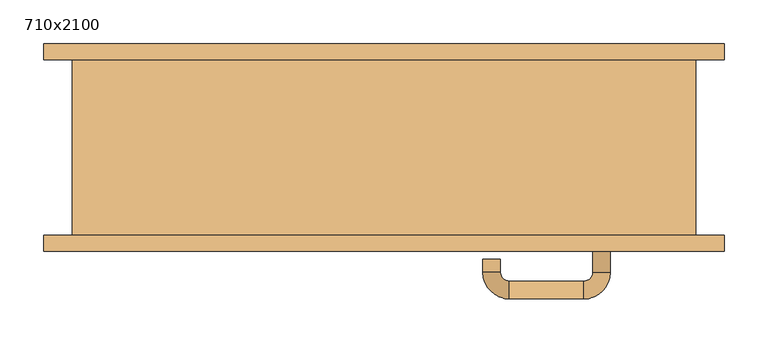
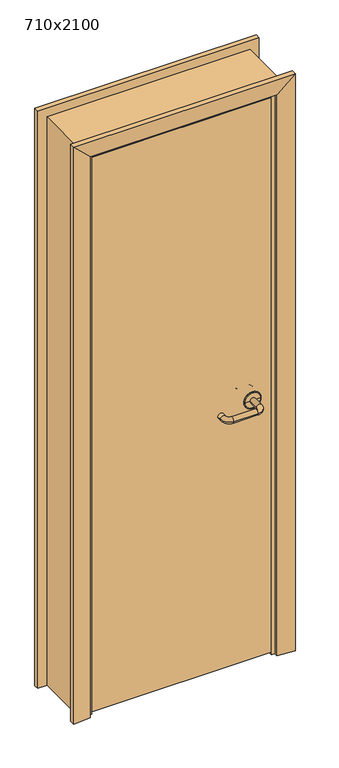
"""IFC4 building model written with IfcOpenShell, lengths in millimetres: door geometry, 710x2100."""

from ifc_helpers import new_model, si_unit, point, frame, origin, place, context, project, spatial, polyline, circle_curve, ellipse_curve, trimmed, outline, extrude, faceted_brep, source, transform, mapped, element, save
from ifc_brep_helpers import plane_surface, cylinder_surface, revolved_surface, advanced_brep


def door_710x2100_5c90960f(model_context):
    return source(origin(), model_context, "Body", "SolidModel", [
        advanced_brep(
        [(257.5389275, -100.0, 965.0), (237.5389275, -100.0, 965.0), (257.5389275, -141.7730895, 965.0), (237.5389275, -141.7730895, 965.0), (227.5389275, -171.7730895, 965.0), (227.5389275, -151.7730895, 965.0), (142.5389265, -171.7730895, 965.0), (142.5389265, -151.7730895, 965.0), (112.5389265, -141.7730895, 965.0), (132.5389265, -141.7730895, 965.0), (112.5389265, -126.7730887, 965.0), (132.5389265, -126.7730887, 965.0)],
        [
            (0, 1, circle_curve(frame((247.5389275, -100.0, 965.0), z_axis=(0.0, 1.0, 0.0), x_axis=(-1.0, 0.0, 0.0)), 10.0)),
            (1, 0, circle_curve(frame((247.5389275, -100.0, 965.0), z_axis=(0.0, 1.0, 0.0), x_axis=(-1.0, 0.0, 0.0)), 10.0)),
            (0, 2),
            (2, 3, circle_curve(frame((247.5389275, -141.7730895, 965.0), z_axis=(0.0, 1.0, 0.0), x_axis=(-1.0, 0.0, 0.0)), 10.0)),
            (3, 1),
            (3, 2, circle_curve(frame((247.5389275, -141.7730895, 965.0), z_axis=(0.0, 1.0, 0.0), x_axis=(-1.0, 0.0, 0.0)), 10.0)),
            (4, 5, circle_curve(frame((227.5389275, -161.7730895, 965.0), z_axis=(1.0, 0.0, 0.0), x_axis=(0.0, 1.0, 0.0)), 10.0)),
            (5, 3, circle_curve(frame((227.5389275, -141.7730895, 965.0), z_axis=(0.0, 0.0, 1.0), x_axis=(1.0, 0.0, 0.0)), 10.0)),
            (2, 4, circle_curve(frame((227.5389275, -141.7730895, 965.0), z_axis=(0.0, 0.0, -1.0), x_axis=(1.0, 0.0, 0.0)), 30.0)),
            (5, 4, circle_curve(frame((227.5389275, -161.7730895, 965.0), z_axis=(1.0, 0.0, 0.0), x_axis=(0.0, 1.0, 0.0)), 10.0)),
            (4, 6),
            (6, 7, circle_curve(frame((142.5389265, -161.7730895, 965.0), z_axis=(1.0, 0.0, 0.0), x_axis=(0.0, 1.0, 0.0)), 10.0)),
            (7, 5),
            (7, 6, circle_curve(frame((142.5389265, -161.7730895, 965.0), z_axis=(1.0, 0.0, 0.0), x_axis=(0.0, 1.0, 0.0)), 10.0)),
            (8, 9, circle_curve(frame((122.5389265, -141.7730895, 965.0), z_axis=(0.0, -1.0, 0.0), x_axis=(1.0, 0.0, 0.0)), 10.0)),
            (9, 7, circle_curve(frame((142.5389265, -141.7730895, 965.0), z_axis=(0.0, 0.0, 1.0), x_axis=(0.0, -1.0, 0.0)), 10.0)),
            (6, 8, circle_curve(frame((142.5389265, -141.7730895, 965.0), z_axis=(0.0, 0.0, -1.0), x_axis=(0.0, -1.0, 0.0)), 30.0)),
            (9, 8, circle_curve(frame((122.5389265, -141.7730895, 965.0), z_axis=(0.0, -1.0, 0.0), x_axis=(1.0, 0.0, 0.0)), 10.0)),
            (10, 11, circle_curve(frame((122.5389265, -126.7730887, 965.0), z_axis=(0.0, 1.0, 0.0), x_axis=(1.0, 0.0, 0.0)), 10.0)),
            (11, 10, circle_curve(frame((122.5389265, -126.7730887, 965.0), z_axis=(0.0, 1.0, 0.0), x_axis=(1.0, 0.0, 0.0)), 10.0)),
            (8, 10),
            (11, 9),
        ],
        [
            plane_surface(frame((247.5389275, -100.0, 965.0), z_axis=(0.0, 1.0, 0.0), x_axis=(0.0, 0.0, 1.0))),
            cylinder_surface(frame((247.5389275, -100.0, 965.0), z_axis=(0.0, 1.0, 0.0), x_axis=(-1.0, 0.0, 0.0)), 10.0),
            revolved_surface(trimmed(ellipse_curve(frame((247.5389275, -141.7730895, 965.0), z_axis=(0.0, -1.0, 0.0), x_axis=(-1.0, 0.0, 0.0)), 10.0, 10.0), [point((237.5389275, -141.7730895, 965.0))], [point((257.5389275, -141.7730895, 965.0))], True, "CARTESIAN"), (227.5389275, -141.7730895, 965.0), (0.0, 0.0, 1.0)),
            revolved_surface(trimmed(ellipse_curve(frame((247.5389275, -141.7730895, 965.0), z_axis=(0.0, -1.0, 0.0), x_axis=(-1.0, 0.0, 0.0)), 10.0, 10.0), [point((257.5389275, -141.7730895, 965.0))], [point((237.5389275, -141.7730895, 965.0))], True, "CARTESIAN"), (227.5389275, -141.7730895, 965.0), (0.0, 0.0, 1.0)),
            cylinder_surface(frame((227.5389275, -161.7730895, 965.0), z_axis=(1.0, 0.0, 0.0), x_axis=(0.0, 1.0, 0.0)), 10.0),
            revolved_surface(trimmed(ellipse_curve(frame((142.5389265, -161.7730895, 965.0), z_axis=(-1.0, 0.0, 0.0), x_axis=(0.0, 1.0, 0.0)), 10.0, 10.0), [point((142.5389265, -151.7730895, 965.0))], [point((142.5389265, -171.7730895, 965.0))], True, "CARTESIAN"), (142.5389265, -141.7730895, 965.0), (0.0, 0.0, 1.0)),
            revolved_surface(trimmed(ellipse_curve(frame((142.5389265, -161.7730895, 965.0), z_axis=(-1.0, 0.0, 0.0), x_axis=(0.0, 1.0, 0.0)), 10.0, 10.0), [point((142.5389265, -171.7730895, 965.0))], [point((142.5389265, -151.7730895, 965.0))], True, "CARTESIAN"), (142.5389265, -141.7730895, 965.0), (0.0, 0.0, 1.0)),
            plane_surface(frame((122.5389265, -126.7730887, 965.0), z_axis=(0.0, 1.0, 0.0), x_axis=(0.0, 0.0, 1.0))),
            cylinder_surface(frame((122.5389265, -141.7730895, 965.0), z_axis=(0.0, -1.0, 0.0), x_axis=(1.0, 0.0, 0.0)), 10.0),
        ],
        [
            (0, [[1, 2]]),
            (1, [[3, 4, 5, -1]]),
            (1, [[-5, 6, -3, -2]]),
            (2, [[7, 8, -4, 9]]),
            (3, [[10, -9, -6, -8]]),
            (4, [[11, 12, 13, -7]]),
            (4, [[-13, 14, -11, -10]]),
            (5, [[15, 16, -12, 17]]),
            (6, [[18, -17, -14, -16]]),
            (7, [[19, 20]]),
            (8, [[21, -20, 22, -15]]),
            (8, [[-22, -19, -21, -18]]),
        ],
    ),
        advanced_brep(
        [(247.5389275, -100.0, 965.0), (277.5389268, -100.0, 965.0), (217.5389281, -100.0, 965.0), (277.5389268, -100.819943, 965.0), (217.5389281, -100.819943, 965.0), (274.5857807, -103.7730891, 965.0), (247.5389275, -103.7730891, 965.0), (220.4920742, -103.7730891, 965.0)],
        [
            (0, 1),
            (1, 2, circle_curve(frame((247.5389275, -100.0, 965.0), z_axis=(0.0, 1.0, 0.0), x_axis=(-1.0, 0.0, 0.0)), 29.9999993)),
            (2, 0),
            (2, 1, circle_curve(frame((247.5389275, -100.0, 965.0), z_axis=(0.0, 1.0, 0.0), x_axis=(-1.0, 0.0, 0.0)), 29.9999993)),
            (1, 3),
            (3, 4, circle_curve(frame((247.5389275, -100.819943, 965.0), z_axis=(0.0, 1.0, 0.0), x_axis=(-1.0, 0.0, 0.0)), 29.9999993)),
            (4, 2),
            (4, 3, circle_curve(frame((247.5389275, -100.819943, 965.0), z_axis=(0.0, 1.0, 0.0), x_axis=(-1.0, 0.0, 0.0)), 29.9999993)),
            (5, 6),
            (6, 7),
            (7, 5, circle_curve(frame((247.5389275, -103.7730891, 965.0), z_axis=(0.0, -1.0, 0.0), x_axis=(-1.0, 0.0, 0.0)), 27.0468532)),
            (5, 7, circle_curve(frame((247.5389275, -103.7730891, 965.0), z_axis=(0.0, -1.0, 0.0), x_axis=(-1.0, 0.0, 0.0)), 27.0468532)),
            (3, 5, circle_curve(frame((274.5857807, -100.819943, 965.0), z_axis=(0.0, 0.0, -1.0), x_axis=(-1.0, 0.0, 0.0)), 2.9531461)),
            (7, 4, circle_curve(frame((220.4920742, -100.819943, 965.0), z_axis=(0.0, 0.0, -1.0), x_axis=(1.0, 0.0, 0.0)), 2.9531461)),
        ],
        [
            plane_surface(frame((247.5389275, -100.0, 965.0), z_axis=(0.0, 1.0, 0.0), x_axis=(-1.0, 0.0, 0.0))),
            cylinder_surface(frame((247.5389275, -100.0, 965.0), z_axis=(0.0, 1.0, 0.0), x_axis=(-1.0, 0.0, 0.0)), 29.9999993),
            plane_surface(frame((247.5389275, -103.7730891, 965.0), z_axis=(0.0, -1.0, 0.0), x_axis=(-1.0, 0.0, 0.0))),
            revolved_surface(trimmed(ellipse_curve(frame((220.4920742, -100.819943, 965.0), z_axis=(0.0, 0.0, -1.0), x_axis=(1.0, 0.0, 0.0)), 2.9531461, 2.9531461), [point((220.4920742, -103.7730891, 965.0))], [point((217.5389281, -100.819943, 965.0))], True, "CARTESIAN"), (247.5389275, -100.0, 965.0), (0.0, 1.0, 0.0)),
        ],
        [
            (0, [[1, 2, 3]]),
            (0, [[-3, 4, -1]]),
            (1, [[5, 6, 7, -2]]),
            (1, [[-7, 8, -5, -4]]),
            (2, [[9, 10, 11]]),
            (2, [[-10, -9, 12]]),
            (3, [[13, -11, 14, -6]]),
            (3, [[-14, -12, -13, -8]]),
        ],
    ),
        advanced_brep(
        [(257.5389275, -60.0, 965.0), (237.5389275, -60.0, 965.0), (237.5389275, -18.2269106, 965.0), (257.5389275, -18.2269106, 965.0), (227.5389275, -8.2269106, 965.0), (227.5389275, 11.7730894, 965.0), (142.5389265, -8.2269106, 965.0), (142.5389265, 11.7730894, 965.0), (132.5389265, -18.2269106, 965.0), (112.5389265, -18.2269106, 965.0), (112.5389265, -33.2269113, 965.0), (132.5389265, -33.2269113, 965.0)],
        [
            (0, 1, circle_curve(frame((247.5389275, -60.0, 965.0), z_axis=(0.0, -1.0, 0.0), x_axis=(-1.0, 0.0, 0.0)), 10.0)),
            (1, 0, circle_curve(frame((247.5389275, -60.0, 965.0), z_axis=(0.0, -1.0, 0.0), x_axis=(-1.0, 0.0, 0.0)), 10.0)),
            (1, 2),
            (2, 3, circle_curve(frame((247.5389275, -18.2269106, 965.0), z_axis=(0.0, -1.0, 0.0), x_axis=(-1.0, 0.0, 0.0)), 10.0)),
            (3, 0),
            (3, 2, circle_curve(frame((247.5389275, -18.2269106, 965.0), z_axis=(0.0, -1.0, 0.0), x_axis=(-1.0, 0.0, 0.0)), 10.0)),
            (4, 5, circle_curve(frame((227.5389275, 1.7730894, 965.0), z_axis=(1.0, 0.0, 0.0), x_axis=(0.0, -1.0, 0.0)), 10.0)),
            (5, 3, circle_curve(frame((227.5389275, -18.2269106, 965.0), z_axis=(0.0, 0.0, -1.0), x_axis=(1.0, 0.0, 0.0)), 30.0)),
            (2, 4, circle_curve(frame((227.5389275, -18.2269106, 965.0), z_axis=(0.0, 0.0, 1.0), x_axis=(1.0, 0.0, 0.0)), 10.0)),
            (5, 4, circle_curve(frame((227.5389275, 1.7730894, 965.0), z_axis=(1.0, 0.0, 0.0), x_axis=(0.0, -1.0, 0.0)), 10.0)),
            (4, 6),
            (6, 7, circle_curve(frame((142.5389265, 1.7730894, 965.0), z_axis=(1.0, 0.0, 0.0), x_axis=(0.0, -1.0, 0.0)), 10.0)),
            (7, 5),
            (7, 6, circle_curve(frame((142.5389265, 1.7730894, 965.0), z_axis=(1.0, 0.0, 0.0), x_axis=(0.0, -1.0, 0.0)), 10.0)),
            (8, 9, circle_curve(frame((122.5389265, -18.2269106, 965.0), z_axis=(0.0, 1.0, 0.0), x_axis=(1.0, 0.0, 0.0)), 10.0)),
            (9, 7, circle_curve(frame((142.5389265, -18.2269106, 965.0), z_axis=(0.0, 0.0, -1.0), x_axis=(0.0, 1.0, 0.0)), 30.0)),
            (6, 8, circle_curve(frame((142.5389265, -18.2269106, 965.0), z_axis=(0.0, 0.0, 1.0), x_axis=(0.0, 1.0, 0.0)), 10.0)),
            (9, 8, circle_curve(frame((122.5389265, -18.2269106, 965.0), z_axis=(0.0, 1.0, 0.0), x_axis=(1.0, 0.0, 0.0)), 10.0)),
            (10, 11, circle_curve(frame((122.5389265, -33.2269113, 965.0), z_axis=(0.0, -1.0, 0.0), x_axis=(1.0, 0.0, 0.0)), 10.0)),
            (11, 10, circle_curve(frame((122.5389265, -33.2269113, 965.0), z_axis=(0.0, -1.0, 0.0), x_axis=(1.0, 0.0, 0.0)), 10.0)),
            (8, 11),
            (10, 9),
        ],
        [
            plane_surface(frame((247.5389275, -60.0, 965.0), z_axis=(0.0, -1.0, 0.0), x_axis=(0.0, 0.0, 1.0))),
            cylinder_surface(frame((247.5389275, -60.0, 965.0), z_axis=(0.0, -1.0, 0.0), x_axis=(-1.0, 0.0, 0.0)), 10.0),
            revolved_surface(trimmed(ellipse_curve(frame((247.5389275, -18.2269106, 965.0), z_axis=(0.0, 1.0, 0.0), x_axis=(-1.0, 0.0, 0.0)), 10.0, 10.0), [point((257.5389275, -18.2269106, 965.0))], [point((237.5389275, -18.2269106, 965.0))], True, "CARTESIAN"), (227.5389275, -18.2269106, 965.0), (0.0, 0.0, -1.0)),
            revolved_surface(trimmed(ellipse_curve(frame((247.5389275, -18.2269106, 965.0), z_axis=(0.0, 1.0, 0.0), x_axis=(-1.0, 0.0, 0.0)), 10.0, 10.0), [point((237.5389275, -18.2269106, 965.0))], [point((257.5389275, -18.2269106, 965.0))], True, "CARTESIAN"), (227.5389275, -18.2269106, 965.0), (0.0, 0.0, -1.0)),
            cylinder_surface(frame((227.5389275, 1.7730894, 965.0), z_axis=(1.0, 0.0, 0.0), x_axis=(0.0, -1.0, 0.0)), 10.0),
            revolved_surface(trimmed(ellipse_curve(frame((142.5389265, 1.7730894, 965.0), z_axis=(-1.0, 0.0, 0.0), x_axis=(0.0, -1.0, 0.0)), 10.0, 10.0), [point((142.5389265, 11.7730894, 965.0))], [point((142.5389265, -8.2269106, 965.0))], True, "CARTESIAN"), (142.5389265, -18.2269106, 965.0), (0.0, 0.0, -1.0)),
            revolved_surface(trimmed(ellipse_curve(frame((142.5389265, 1.7730894, 965.0), z_axis=(-1.0, 0.0, 0.0), x_axis=(0.0, -1.0, 0.0)), 10.0, 10.0), [point((142.5389265, -8.2269106, 965.0))], [point((142.5389265, 11.7730894, 965.0))], True, "CARTESIAN"), (142.5389265, -18.2269106, 965.0), (0.0, 0.0, -1.0)),
            plane_surface(frame((122.5389265, -33.2269113, 965.0), z_axis=(0.0, -1.0, 0.0), x_axis=(0.0, 0.0, 1.0))),
            cylinder_surface(frame((122.5389265, -18.2269106, 965.0), z_axis=(0.0, 1.0, 0.0), x_axis=(1.0, 0.0, 0.0)), 10.0),
        ],
        [
            (0, [[1, 2]]),
            (1, [[3, 4, 5, -2]]),
            (1, [[-5, 6, -3, -1]]),
            (2, [[7, 8, -4, 9]]),
            (3, [[10, -9, -6, -8]]),
            (4, [[11, 12, 13, -7]]),
            (4, [[-13, 14, -11, -10]]),
            (5, [[15, 16, -12, 17]]),
            (6, [[18, -17, -14, -16]]),
            (7, [[19, 20]]),
            (8, [[21, -19, 22, -15]]),
            (8, [[-22, -20, -21, -18]]),
        ],
    ),
        advanced_brep(
        [(277.5389268, -60.0, 965.0), (247.5389275, -60.0, 965.0), (217.5389281, -60.0, 965.0), (277.5389268, -59.180057, 965.0), (217.5389281, -59.180057, 965.0), (247.5389275, -56.2269109, 965.0), (274.5857807, -56.2269109, 965.0), (220.4920742, -56.2269109, 965.0)],
        [
            (0, 1),
            (1, 2),
            (2, 0, circle_curve(frame((247.5389275, -60.0, 965.0), z_axis=(0.0, -1.0, 0.0), x_axis=(-1.0, 0.0, 0.0)), 29.9999993)),
            (0, 2, circle_curve(frame((247.5389275, -60.0, 965.0), z_axis=(0.0, -1.0, 0.0), x_axis=(-1.0, 0.0, 0.0)), 29.9999993)),
            (3, 0),
            (2, 4),
            (4, 3, circle_curve(frame((247.5389275, -59.180057, 965.0), z_axis=(0.0, -1.0, 0.0), x_axis=(-1.0, 0.0, 0.0)), 29.9999993)),
            (3, 4, circle_curve(frame((247.5389275, -59.180057, 965.0), z_axis=(0.0, -1.0, 0.0), x_axis=(-1.0, 0.0, 0.0)), 29.9999993)),
            (5, 6),
            (6, 7, circle_curve(frame((247.5389275, -56.2269109, 965.0), z_axis=(0.0, 1.0, 0.0), x_axis=(-1.0, 0.0, 0.0)), 27.0468532)),
            (7, 5),
            (7, 6, circle_curve(frame((247.5389275, -56.2269109, 965.0), z_axis=(0.0, 1.0, 0.0), x_axis=(-1.0, 0.0, 0.0)), 27.0468532)),
            (6, 3, circle_curve(frame((274.5857807, -59.180057, 965.0), z_axis=(0.0, 0.0, -1.0), x_axis=(-1.0, 0.0, 0.0)), 2.9531461)),
            (4, 7, circle_curve(frame((220.4920742, -59.180057, 965.0), z_axis=(0.0, 0.0, -1.0), x_axis=(1.0, 0.0, 0.0)), 2.9531461)),
        ],
        [
            plane_surface(frame((247.5389275, -60.0, 965.0), z_axis=(0.0, -1.0, 0.0), x_axis=(-1.0, 0.0, 0.0))),
            cylinder_surface(frame((247.5389275, -60.0, 965.0), z_axis=(0.0, 1.0, 0.0), x_axis=(-1.0, 0.0, 0.0)), 29.9999993),
            plane_surface(frame((247.5389275, -56.2269109, 965.0), z_axis=(0.0, 1.0, 0.0), x_axis=(-1.0, 0.0, 0.0))),
            revolved_surface(trimmed(ellipse_curve(frame((220.4920742, -59.180057, 965.0), z_axis=(0.0, 0.0, -1.0), x_axis=(1.0, 0.0, 0.0)), 2.9531461, 2.9531461), [point((217.5389281, -59.180057, 965.0))], [point((220.4920742, -56.2269109, 965.0))], True, "CARTESIAN"), (247.5389275, -60.0, 965.0), (0.0, 1.0, 0.0)),
        ],
        [
            (0, [[1, 2, 3]]),
            (0, [[-2, -1, 4]]),
            (1, [[5, -3, 6, 7]]),
            (1, [[-6, -4, -5, 8]]),
            (2, [[9, 10, 11]]),
            (2, [[-11, 12, -9]]),
            (3, [[13, -7, 14, -10]]),
            (3, [[-14, -8, -13, -12]]),
        ],
    ),
        extrude(outline(polyline([(312.5389275, -100.0), (-312.538929, -100.0), (-312.538929, -60.0), (312.5389275, -60.0), (312.5389275, -100.0)])), frame((0.0, 0.0, 10.0), z_axis=(0.0, 0.0, 1.0), x_axis=(1.0, 0.0, 0.0)), (0.0, 0.0, 1.0), 2047.0),
        advanced_brep(
        [(355.0, 100.0, 0.0), (355.0, -100.0, 0.0), (315.0389382, -100.0, 0.0), (315.0389382, -57.9643213, 0.0), (302.938932, -57.9643213, 0.0), (302.938932, -20.0651318, 0.0), (309.0397424, -13.9643215, 0.0), (315.0389382, -13.9643215, 0.0), (315.0389382, 100.0, 0.0), (315.0389382, 100.0, 2060.0389382), (-315.0389382, 100.0, 2060.0389382), (-315.0389382, 100.0, 0.0), (-355.0, 100.0, 0.0), (-355.0, 100.0, 2100.0), (355.0, 100.0, 2100.0), (315.0389382, -13.9643215, 2060.0389382), (309.0397424, -13.9643215, 2054.0397424), (-309.0397424, -13.9643215, 2054.0397424), (-309.0397424, -13.9643215, 0.0), (-315.0389382, -13.9643215, 0.0), (-315.0389382, -13.9643215, 2060.0389382), (302.938932, -20.0651318, 2047.938932), (302.938932, -57.9643213, 2047.938932), (315.0389382, -57.9643213, 2060.0389382), (-315.0389382, -57.9643213, 2060.0389382), (-315.0389382, -57.9643213, 0.0), (-302.938932, -57.9643213, 0.0), (-302.938932, -57.9643213, 2047.938932), (315.0389382, -100.0, 2060.0389382), (355.0, -100.0, 2100.0), (-302.938932, -20.0651318, 2047.938932), (-315.0389382, -100.0, 2060.0389382), (-355.0, -100.0, 2100.0), (-302.938932, -20.0651318, 0.0), (-315.0389382, -100.0, 0.0), (-355.0, -100.0, 0.0)],
        [
            (0, 1),
            (1, 2),
            (2, 3),
            (3, 4),
            (4, 5),
            (5, 6, circle_curve(frame((309.0397424, -20.0651318, 0.0), z_axis=(0.0, 0.0, -1.0), x_axis=(-1.0, 0.0, 0.0)), 6.1008103)),
            (6, 7),
            (7, 8),
            (8, 0),
            (8, 9),
            (9, 10),
            (10, 11),
            (11, 12),
            (12, 13),
            (13, 14),
            (14, 0),
            (7, 15),
            (15, 9),
            (6, 16),
            (16, 17),
            (17, 18),
            (18, 19),
            (19, 20),
            (20, 15),
            (5, 21),
            (21, 16, ellipse_curve(frame((309.0397424, -20.0651318, 2054.0397424), z_axis=(0.7071067811865475, 0.0, -0.7071067811865475), x_axis=(-0.7071067811865474, 0.0, -0.7071067811865476)), 8.6278487, 6.1008103)),
            (4, 22),
            (22, 21),
            (3, 23),
            (23, 24),
            (24, 25),
            (25, 26),
            (26, 27),
            (27, 22),
            (2, 28),
            (28, 23),
            (14, 29),
            (29, 1),
            (20, 10),
            (21, 30),
            (30, 17, ellipse_curve(frame((-309.0397424, -20.0651318, 2054.0397424), z_axis=(0.7071067811865475, 0.0, 0.7071067811865475), x_axis=(0.7071067811865476, 0.0, -0.7071067811865474)), 8.6278487, 6.1008103)),
            (27, 30),
            (28, 31),
            (31, 24),
            (13, 32),
            (32, 29),
            (11, 19),
            (18, 33, circle_curve(frame((-309.0397424, -20.0651318, 0.0), z_axis=(0.0, 0.0, -1.0), x_axis=(1.0, 0.0, 0.0)), 6.1008103)),
            (33, 26),
            (25, 34),
            (34, 35),
            (35, 12),
            (30, 33),
            (31, 34),
            (35, 32),
        ],
        [
            plane_surface(frame((355.0, -100.0, 0.0), z_axis=(0.0, 0.0, -1.0), x_axis=(0.0, 1.0, 0.0))),
            plane_surface(frame((355.0, 100.0, 0.0), z_axis=(0.0, 1.0, 0.0), x_axis=(0.0, 0.0, 1.0))),
            plane_surface(frame((315.0389382, 100.0, 0.0), z_axis=(-1.0, 0.0, 0.0), x_axis=(0.0, 0.0, 1.0))),
            plane_surface(frame((315.0389382, -13.9643215, 0.0), z_axis=(0.0, 1.0, 0.0), x_axis=(0.0, 0.0, 1.0))),
            cylinder_surface(frame((309.0397424, -20.0651318, 0.0), z_axis=(0.0, 0.0, -1.0), x_axis=(-1.0, 0.0, 0.0)), 6.1008103),
            plane_surface(frame((302.938932, -20.0651318, 0.0), z_axis=(-1.0, 0.0, 0.0), x_axis=(0.0, 0.0, 1.0))),
            plane_surface(frame((302.938932, -57.9643213, 0.0), z_axis=(0.0, -1.0, 0.0), x_axis=(0.0, 0.0, 1.0))),
            plane_surface(frame((315.0389382, -57.9643213, 0.0), z_axis=(-1.0, 0.0, 0.0), x_axis=(0.0, 0.0, 1.0))),
            plane_surface(frame((355.0, -100.0, 0.0), z_axis=(1.0, 0.0, 0.0), x_axis=(0.0, 0.0, 1.0))),
            plane_surface(frame((315.0389382, 100.0, 2060.0389382), z_axis=(0.0, 0.0, -1.0), x_axis=(-1.0, 0.0, 0.0))),
            cylinder_surface(frame((355.0, -20.0651318, 2054.0397424), z_axis=(1.0, 0.0, 0.0), x_axis=(0.0, 0.0, -1.0)), 6.1008103),
            plane_surface(frame((302.938932, -20.0651318, 2047.938932), z_axis=(0.0, 0.0, -1.0), x_axis=(-1.0, 0.0, 0.0))),
            plane_surface(frame((315.0389382, -57.9643213, 2060.0389382), z_axis=(0.0, 0.0, -1.0), x_axis=(-1.0, 0.0, 0.0))),
            plane_surface(frame((355.0, -100.0, 2100.0), z_axis=(0.0, 0.0, 1.0), x_axis=(-1.0, 0.0, 0.0))),
            plane_surface(frame((-355.0, -100.0, 0.0), z_axis=(0.0, 0.0, -1.0), x_axis=(0.0, 1.0, 0.0))),
            plane_surface(frame((-315.0389382, 100.0, 2060.0389382), z_axis=(1.0, 0.0, 0.0), x_axis=(0.0, 0.0, -1.0))),
            cylinder_surface(frame((-309.0397424, -20.0651318, 2100.0), z_axis=(0.0, 0.0, 1.0), x_axis=(1.0, 0.0, 0.0)), 6.1008103),
            plane_surface(frame((-302.938932, -20.0651318, 2047.938932), z_axis=(1.0, 0.0, 0.0), x_axis=(0.0, 0.0, -1.0))),
            plane_surface(frame((-315.0389382, -57.9643213, 2060.0389382), z_axis=(1.0, 0.0, 0.0), x_axis=(0.0, 0.0, -1.0))),
            plane_surface(frame((-355.0, -100.0, 2100.0), z_axis=(-1.0, 0.0, 0.0), x_axis=(0.0, 0.0, -1.0))),
            plane_surface(frame((315.0389382, -100.0, 0.0), z_axis=(0.0, -1.0, 0.0), x_axis=(0.0, 0.0, 1.0))),
        ],
        [
            (0, [[1, 2, 3, 4, 5, 6, 7, 8, 9]]),
            (1, [[10, 11, 12, 13, 14, 15, 16, -9]]),
            (2, [[17, 18, -10, -8]]),
            (3, [[19, 20, 21, 22, 23, 24, -17, -7]]),
            (4, [[25, 26, -19, -6]]),
            (5, [[27, 28, -25, -5]]),
            (6, [[29, 30, 31, 32, 33, 34, -27, -4]]),
            (7, [[35, 36, -29, -3]]),
            (8, [[-16, 37, 38, -1]]),
            (9, [[-24, 39, -11, -18]]),
            (10, [[40, 41, -20, -26]]),
            (11, [[-34, 42, -40, -28]]),
            (12, [[43, 44, -30, -36]]),
            (13, [[-15, 45, 46, -37]]),
            (14, [[-13, 47, -22, 48, 49, -32, 50, 51, 52]]),
            (15, [[-23, -47, -12, -39]]),
            (16, [[53, -48, -21, -41]]),
            (17, [[-33, -49, -53, -42]]),
            (18, [[54, -50, -31, -44]]),
            (19, [[-14, -52, 55, -45]]),
            (20, [[-38, -46, -55, -51, -54, -43, -35, -2]]),
        ],
    ),
        faceted_brep([(-387.0361788, 117.9999998, 0.0), (-327.0362074, 111.9999981, 0.0), (-327.0362074, 100.0, 0.0), (-387.0361788, 100.0, 0.0), (-387.0361788, 117.9999998, 2131.499963), (-327.0362074, 111.9999981, 2071.4999916), (-327.0362074, 100.0, 2071.4999916), (327.0362074, 100.0, 2071.4999916), (327.0362074, 100.0, 0.0), (387.0361788, 100.0, 0.0), (387.0361788, 100.0, 2131.499963), (-387.0361788, 100.0, 2131.499963), (387.0361788, 117.9999998, 2131.499963), (327.0362074, 111.9999981, 2071.4999916), (387.0361788, 117.9999998, 0.0), (327.0362074, 111.9999981, 0.0)], [[[0, 1, 2, 3]], [[0, 4, 5, 1]], [[1, 5, 6, 2]], [[2, 6, 7, 8, 9, 10, 11, 3]], [[3, 11, 4, 0]], [[4, 12, 13, 5]], [[5, 13, 7, 6]], [[11, 10, 12, 4]], [[14, 9, 8, 15]], [[12, 14, 15, 13]], [[13, 15, 8, 7]], [[10, 9, 14, 12]]]),
        faceted_brep([(-387.0361788, -117.9999998, 0.0), (-387.0361788, -100.0, 0.0), (-327.0362074, -100.0, 0.0), (-327.0362074, -111.9999981, 0.0), (-327.0362074, -111.9999981, 2071.4999916), (-387.0361788, -117.9999998, 2131.499963), (-387.0361788, -100.0, 2131.499963), (387.0361788, -100.0, 2131.499963), (387.0361788, -100.0, 0.0), (327.0362074, -100.0, 0.0), (327.0362074, -100.0, 2071.4999916), (-327.0362074, -100.0, 2071.4999916), (327.0362074, -111.9999981, 2071.4999916), (387.0361788, -117.9999998, 2131.499963), (387.0361788, -117.9999998, 0.0), (327.0362074, -111.9999981, 0.0)], [[[0, 1, 2, 3]], [[3, 4, 5, 0]], [[1, 6, 7, 8, 9, 10, 11, 2]], [[0, 5, 6, 1]], [[4, 12, 13, 5]], [[5, 13, 7, 6]], [[14, 15, 9, 8]], [[12, 15, 14, 13]], [[13, 14, 8, 7]], [[2, 11, 4, 3]], [[11, 10, 12, 4]], [[10, 9, 15, 12]]]),
    ])


if __name__ == "__main__":
    model = new_model("IFC4")
    model_context = context("Model", 3, world=origin())
    ifc_project = project(units=[si_unit("LENGTHUNIT", "METRE", prefix="MILLI")], contexts=[model_context])
    site = spatial("IfcSite", under=ifc_project)
    building = spatial("IfcBuilding", under=site)
    placement = place(None, origin())
    door_710x2100_shape = door_710x2100_5c90960f(model_context)
    element("IfcDoor", 1, ObjectType="710x2100", at=placement, inside=building, context=model_context, shape_type="MappedRepresentation", body=[
        mapped(door_710x2100_shape, transform((0.0, 0.0, 0.0), x_axis=(1.0, 0.0, 0.0), y_axis=(0.0, 1.0, 0.0), z_axis=(0.0, 0.0, 1.0))),
    ])
    save(model, "model.ifc")
